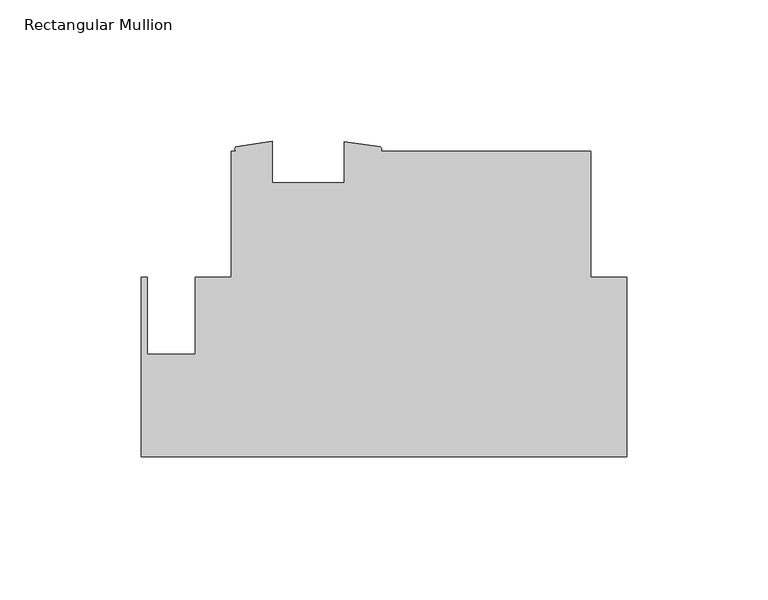
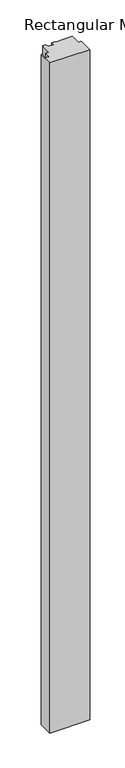
"""IFC4 building model written with IfcOpenShell, lengths in millimetres: member geometry, Rectangular Mullion."""

from ifc_helpers import new_model, si_unit, point, frame, frame_2d, origin, place, context, project, spatial, polyline, circle_curve, trimmed, segment, composite_curve, outline, extrude, source, transform, mapped, element, save


def rectangular_mullion_be636733(model_context):
    return source(origin(), model_context, "Body", "SweptSolid", [
        extrude(outline(composite_curve([segment(polyline([(-12.7010309, 45.2442653), (-12.7010309, 0.8196656), (0.0, 0.8196656), (0.0, -62.7057344), (-171.4499999, -62.7057344), (-171.4499999, 0.7942653), (-169.4179999, 0.7942653), (-169.4179999, -26.3655353), (-152.5173426, -26.3655353), (-152.5173426, 0.7942653), (-139.7010309, 0.7942653), (-139.7010309, 45.2442653), (-137.8975059, 45.2442653)]), True, "CONTINUOUS"), segment(trimmed(circle_curve(frame_2d((-137.4689599, 46.0812753)), 0.940339), [point((-137.8975059, 45.2442653))], [point((-137.8975059, 46.9182854))], False, "CARTESIAN"), True, "CONTINUOUS"), segment(polyline([(-137.8975059, 46.9182854), (-125.1975059, 48.763787), (-125.1975059, 34.1317653), (-99.7975059, 34.1317653), (-99.7975059, 48.6402653), (-87.0262183, 46.8301615)]), True, "CONTINUOUS"), segment(trimmed(circle_curve(frame_2d((-87.5003592, 46.0372134)), 0.9238919), [point((-87.0262183, 46.8301615))], [point((-87.0262183, 45.2442653))], False, "CARTESIAN"), True, "CONTINUOUS"), segment(polyline([(-87.0262183, 45.2442653), (-12.7010309, 45.2442653)]), True, "CONTINUOUS")], self_intersect=False)), frame((0.0, 0.0, -3048.0), z_axis=(0.0, 0.0, 1.0), x_axis=(1.0, 0.0, 0.0)), (0.0, 0.0, 1.0), 3048.0),
    ])


if __name__ == "__main__":
    model = new_model("IFC4")
    model_context = context("Model", 3, world=origin())
    ifc_project = project(units=[si_unit("LENGTHUNIT", "METRE", prefix="MILLI")], contexts=[model_context])
    site = spatial("IfcSite", under=ifc_project)
    building = spatial("IfcBuilding", under=site)
    placement = place(None, origin())
    rectangular_mullion_shape = rectangular_mullion_be636733(model_context)
    element("IfcMember", 1, ObjectType="Rectangular Mullion", at=placement, inside=building, context=model_context, shape_type="MappedRepresentation", body=[
        mapped(rectangular_mullion_shape, transform((0.0, 0.0, 0.0), x_axis=(1.0, 0.0, 0.0), y_axis=(0.0, 1.0, 0.0), z_axis=(0.0, 0.0, 1.0))),
    ])
    save(model, "model.ifc")
